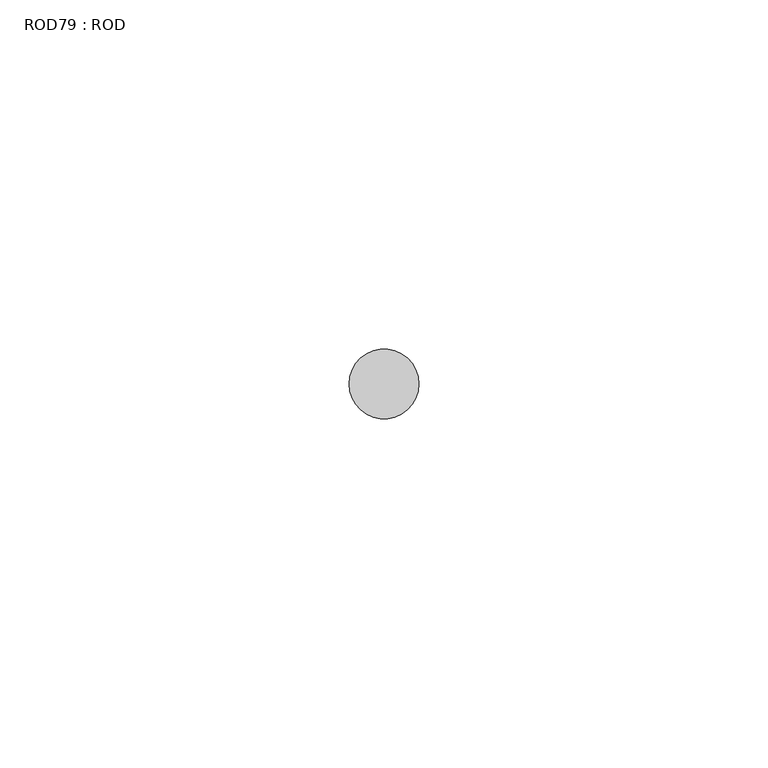
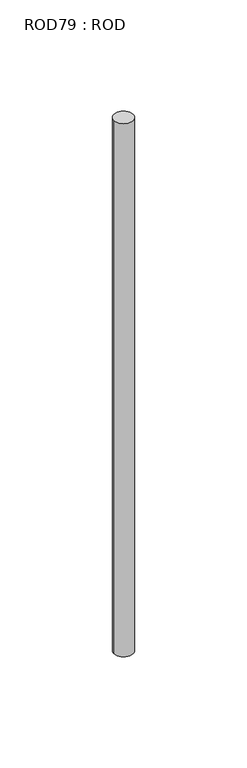
"""IFC4 building model written with IfcOpenShell, lengths in millimetres: proxy geometry, ROD79 : ROD."""

from ifc_helpers import new_model, si_unit, point, frame, frame_2d, origin, place, context, project, spatial, circle_curve, trimmed, segment, composite_curve, outline, extrude, source, transform, mapped, element, save


def rod79_rod_5d8d7f4b(model_context):
    return source(origin(), model_context, "Body", "SweptSolid", [
        extrude(outline(composite_curve([segment(trimmed(circle_curve(frame_2d((7799.7673324, -10466.6028424)), 5.0), [point((7794.7673324, -10466.6028424))], [point((7804.7673324, -10466.6028424))], False, "CARTESIAN"), True, "CONTINUOUS"), segment(trimmed(circle_curve(frame_2d((7799.7673324, -10466.6028424)), 5.0), [point((7804.7673324, -10466.6028424))], [point((7794.7673324, -10466.6028424))], False, "CARTESIAN"), True, "CONTINUOUS")], self_intersect=False)), frame((0.0, 0.0, -108.6608845), z_axis=(0.0, 0.0, 1.0), x_axis=(1.0, 0.0, 0.0)), (0.0, 0.0, 1.0), 298.9028972),
    ])


if __name__ == "__main__":
    model = new_model("IFC4")
    model_context = context("Model", 3, world=origin())
    ifc_project = project(units=[si_unit("LENGTHUNIT", "METRE", prefix="MILLI")], contexts=[model_context])
    site = spatial("IfcSite", under=ifc_project)
    building = spatial("IfcBuilding", under=site)
    placement = place(None, origin())
    rod79_rod_shape = rod79_rod_5d8d7f4b(model_context)
    element("IfcBuildingElementProxy", 1, Name="ROD79 : ROD", ObjectType="ROD79 : ROD", at=placement, inside=building, context=model_context, shape_type="MappedRepresentation", body=[
        mapped(rod79_rod_shape, transform((0.0, 0.0, 0.0), x_axis=(1.0, 0.0, 0.0), y_axis=(0.0, 1.0, 0.0), z_axis=(0.0, 0.0, 1.0))),
    ])
    save(model, "model.ifc")
